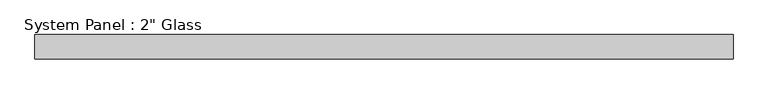
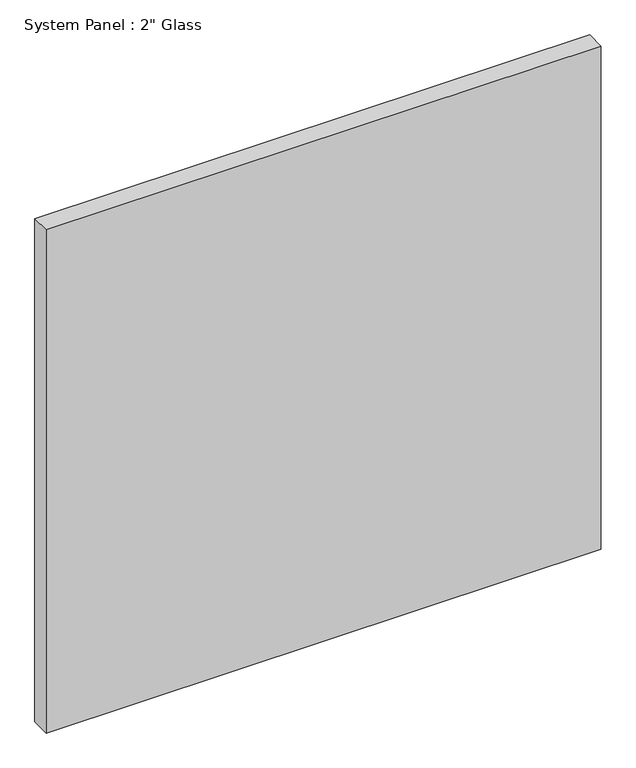
"""IFC4 building model written with IfcOpenShell, lengths in millimetres: plate geometry."""

from ifc_helpers import new_model, si_unit, origin, origin_with_axes, place, context, project, spatial, polyline, outline, extrude, source, transform, mapped, element, save


def plate_e8a11f57(model_context):
    return source(origin(), model_context, "Body", "SweptSolid", [
        extrude(outline(polyline([(724.9095691, -25.4), (-724.9095691, -25.4), (-724.9095691, 25.4), (724.9095691, 25.4), (724.9095691, -25.4)])), origin_with_axes(), (0.0, 0.0, 1.0), 1388.8591382),
    ])


if __name__ == "__main__":
    model = new_model("IFC4")
    model_context = context("Model", 3, world=origin())
    ifc_project = project(units=[si_unit("LENGTHUNIT", "METRE", prefix="MILLI")], contexts=[model_context])
    site = spatial("IfcSite", under=ifc_project)
    building = spatial("IfcBuilding", under=site)
    placement = place(None, origin())
    plate_shape = plate_e8a11f57(model_context)
    element("IfcPlate", 1, ObjectType="System Panel : 2\" Glass", at=placement, inside=building, context=model_context, shape_type="MappedRepresentation", body=[
        mapped(plate_shape, transform((0.0, 0.0, 0.0), x_axis=(1.0, 0.0, 0.0), y_axis=(0.0, 1.0, 0.0), z_axis=(0.0, 0.0, 1.0))),
    ])
    save(model, "model.ifc")
